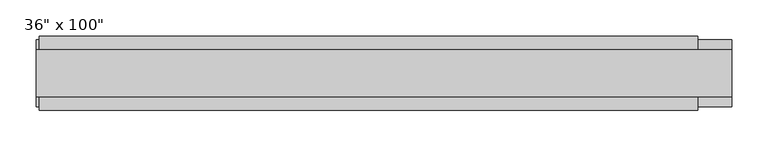
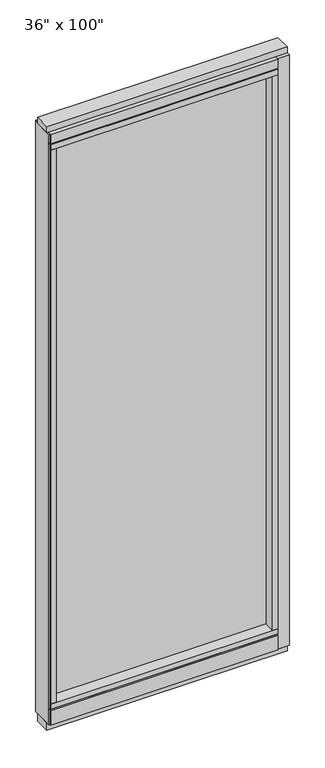
"""IFC4 building model written with IfcOpenShell, lengths in millimetres: furniture geometry."""

from ifc_helpers import new_model, si_unit, frame, origin, origin_with_axes, place, context, project, spatial, polyline, outline, extrude, source, transform, mapped, element, save


def furniture_e490e36d(model_context):
    return source(origin(), model_context, "Body", "SweptSolid", [
        extrude(outline(polyline([(371.0014771, -9.5977216), (-491.0745229, -9.5977216), (-491.0745229, 0.5622784), (371.0014771, 0.5622784), (371.0014771, -9.5977216)])), frame((0.0, 0.0, 120.523), z_axis=(0.0, 0.0, 1.0), x_axis=(1.0, 0.0, 0.0)), (0.0, 0.0, 1.0), 2330.577),
        extrude(outline(polyline([(-55.3177216, 93.345), (-50.3647216, 93.345), (-50.3647216, 98.298), (41.3292784, 98.298), (41.3292784, 93.345), (46.2822784, 93.345), (46.2822784, 31.75), (-55.3177216, 31.75), (-55.3177216, 93.345)])), frame((-513.2995229, 0.0, 0.0), z_axis=(1.0, 0.0, 0.0), x_axis=(0.0, 1.0, 0.0)), (0.0, 0.0, 1.0), 906.526),
        extrude(outline(polyline([(-513.2995229, -55.3177216), (-513.2995229, 46.2822784), (393.2264771, 46.2822784), (393.2264771, -55.3177216), (-513.2995229, -55.3177216)])), frame((0.0, 0.0, 98.298), z_axis=(0.0, 0.0, 1.0), x_axis=(1.0, 0.0, 0.0)), (0.0, 0.0, 1.0), 22.225),
        extrude(outline(polyline([(440.0894771, 27.9942784), (440.0894771, -37.0297216), (-517.2365229, -37.0297216), (-517.2365229, 27.9942784), (440.0894771, 27.9942784)])), origin_with_axes(), (0.0, 0.0, 1.0), 31.75),
        extrude(outline(polyline([(-517.2365229, -37.0297216), (-517.2365229, 27.9942784), (440.0894771, 27.9942784), (440.0894771, -37.0297216), (-517.2365229, -37.0297216)])), frame((0.0, 0.0, 2514.6), z_axis=(0.0, 0.0, 1.0), x_axis=(1.0, 0.0, 0.0)), (0.0, 0.0, 1.0), 25.4),
        extrude(outline(polyline([(-55.3177216, 2478.278), (-55.3177216, 2514.6), (46.2822784, 2514.6), (46.2822784, 2478.278), (41.3292784, 2478.278), (41.3292784, 2473.325), (-50.3647216, 2473.325), (-50.3647216, 2478.278), (-55.3177216, 2478.278)])), frame((-513.2995229, 0.0, 0.0), z_axis=(1.0, 0.0, 0.0), x_axis=(0.0, 1.0, 0.0)), (0.0, 0.0, 1.0), 906.526),
        extrude(outline(polyline([(393.2264771, 46.2822784), (393.2264771, -55.3177216), (-513.2995229, -55.3177216), (-513.2995229, 46.2822784), (393.2264771, 46.2822784)])), frame((0.0, 0.0, 2451.1), z_axis=(0.0, 0.0, 1.0), x_axis=(1.0, 0.0, 0.0)), (0.0, 0.0, 1.0), 22.225),
        extrude(outline(polyline([(371.0014771, -55.3177216), (371.0014771, 46.2822784), (393.2264771, 46.2822784), (393.2264771, -55.3177216), (371.0014771, -55.3177216)])), frame((0.0, 0.0, 120.523), z_axis=(0.0, 0.0, 1.0), x_axis=(1.0, 0.0, 0.0)), (0.0, 0.0, 1.0), 2330.577),
        extrude(outline(polyline([(-491.0745229, -55.3177216), (-513.2995229, -55.3177216), (-513.2995229, 46.2822784), (-491.0745229, 46.2822784), (-491.0745229, -55.3177216)])), frame((0.0, 0.0, 120.523), z_axis=(0.0, 0.0, 1.0), x_axis=(1.0, 0.0, 0.0)), (0.0, 0.0, 1.0), 2330.577),
        extrude(outline(polyline([(440.0894771, -50.3647216), (393.2264771, -50.3647216), (393.2264771, 41.3292784), (440.0894771, 41.3292784), (440.0894771, -50.3647216)])), frame((0.0, 0.0, 31.75), z_axis=(0.0, 0.0, 1.0), x_axis=(1.0, 0.0, 0.0)), (0.0, 0.0, 1.0), 2482.85),
        extrude(outline(polyline([(-517.2365229, -50.3647216), (-517.2365229, 41.3292784), (-513.2995229, 41.3292784), (-513.2995229, -50.3647216), (-517.2365229, -50.3647216)])), frame((0.0, 0.0, 31.75), z_axis=(0.0, 0.0, 1.0), x_axis=(1.0, 0.0, 0.0)), (0.0, 0.0, 1.0), 2482.85),
    ])


if __name__ == "__main__":
    model = new_model("IFC4")
    model_context = context("Model", 3, world=origin())
    ifc_project = project(units=[si_unit("LENGTHUNIT", "METRE", prefix="MILLI")], contexts=[model_context])
    site = spatial("IfcSite", under=ifc_project)
    building = spatial("IfcBuilding", under=site)
    placement = place(None, origin())
    furniture_shape = furniture_e490e36d(model_context)
    element("IfcFurniture", 1, ObjectType="36\" x 100\"", at=placement, inside=building, context=model_context, shape_type="MappedRepresentation", body=[
        mapped(furniture_shape, transform((0.0, 0.0, 0.0), x_axis=(1.0, 0.0, 0.0), y_axis=(0.0, 1.0, 0.0), z_axis=(0.0, 0.0, 1.0))),
    ])
    save(model, "model.ifc")
